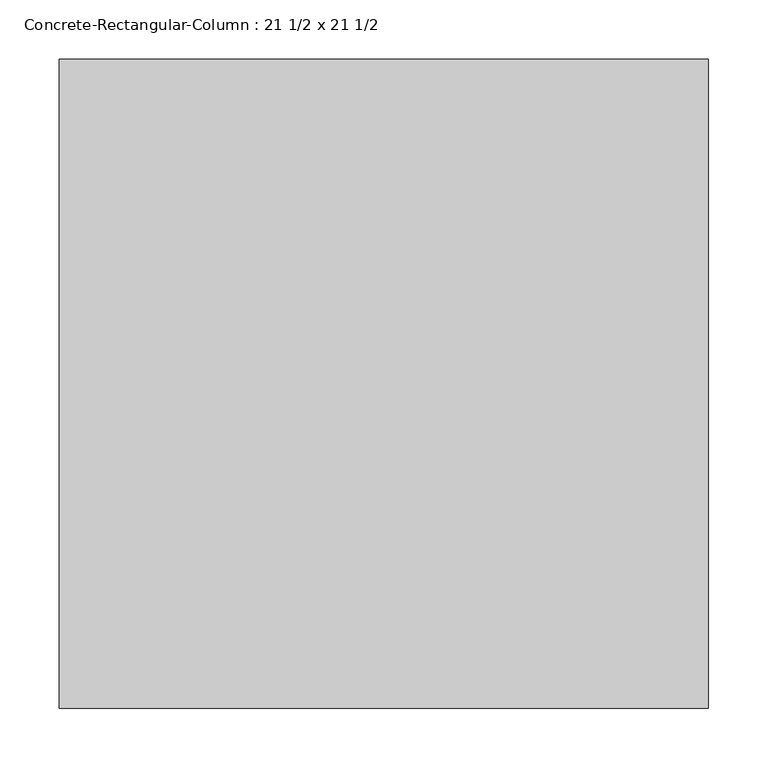
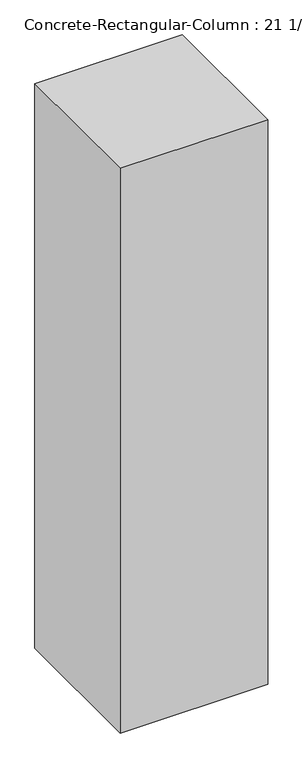
"""IFC4 building model written with IfcOpenShell, lengths in millimetres: column geometry, Concrete-Rectangular-Column : 21 1/2 x 21 1/2."""

from ifc_helpers import new_model, si_unit, frame, origin, place, context, project, spatial, polyline, outline, extrude, source, transform, mapped, element, save


def concrete_rectangular_column_21_1_2_x_21_1_2_8ad3a2ce(model_context):
    return source(origin(), model_context, "Body", "SweptSolid", [
        extrude(outline(polyline([(273.05, 273.05), (273.05, -273.05), (-273.05, -273.05), (-273.05, 273.05), (273.05, 273.05)])), frame((0.0, 0.0, 3810.0), z_axis=(0.0, 0.0, 1.0), x_axis=(1.0, 0.0, 0.0)), (0.0, 0.0, 1.0), 2209.8),
    ])


if __name__ == "__main__":
    model = new_model("IFC4")
    model_context = context("Model", 3, world=origin())
    ifc_project = project(units=[si_unit("LENGTHUNIT", "METRE", prefix="MILLI")], contexts=[model_context])
    site = spatial("IfcSite", under=ifc_project)
    building = spatial("IfcBuilding", under=site)
    placement = place(None, origin())
    concrete_rectangular_column_21_1_2_x_21_1_2_shape = concrete_rectangular_column_21_1_2_x_21_1_2_8ad3a2ce(model_context)
    element("IfcColumn", 1, ObjectType="Concrete-Rectangular-Column : 21 1/2 x 21 1/2", at=placement, inside=building, context=model_context, shape_type="MappedRepresentation", body=[
        mapped(concrete_rectangular_column_21_1_2_x_21_1_2_shape, transform((0.0, 0.0, 0.0), x_axis=(1.0, 0.0, 0.0), y_axis=(0.0, 1.0, 0.0), z_axis=(0.0, 0.0, 1.0))),
    ])
    save(model, "model.ifc")
